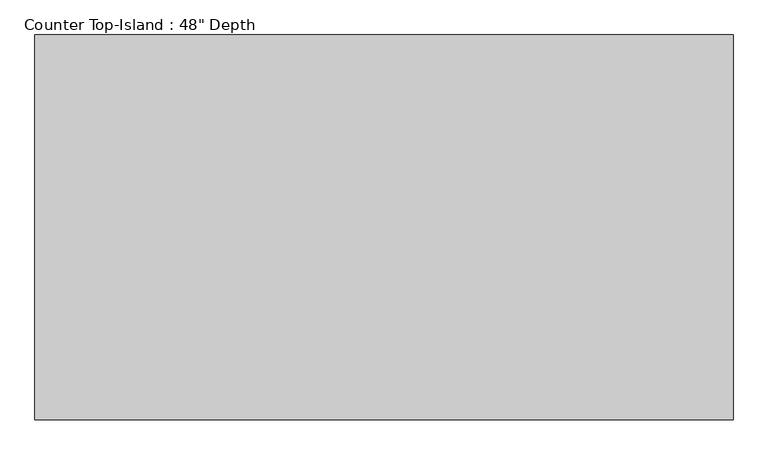
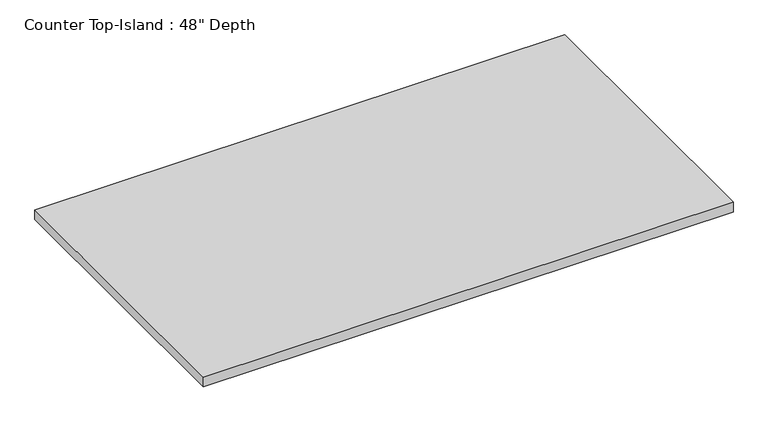
"""IFC4 building model written with IfcOpenShell, lengths in millimetres: furniture geometry."""

from ifc_helpers import new_model, si_unit, frame, origin, place, context, project, spatial, polyline, outline, extrude, source, transform, mapped, element, save


def furniture_8a8e57a0(model_context):
    return source(origin(), model_context, "Body", "SweptSolid", [
        extrude(outline(polyline([(780.7377049, 25.4), (780.7377049, -1066.8), (-1200.4622951, -1066.8), (-1200.4622951, 25.4), (780.7377049, 25.4)])), frame((0.0, 0.0, 876.3), z_axis=(0.0, 0.0, 1.0), x_axis=(1.0, 0.0, 0.0)), (0.0, 0.0, 1.0), 38.1),
    ])


if __name__ == "__main__":
    model = new_model("IFC4")
    model_context = context("Model", 3, world=origin())
    ifc_project = project(units=[si_unit("LENGTHUNIT", "METRE", prefix="MILLI")], contexts=[model_context])
    site = spatial("IfcSite", under=ifc_project)
    building = spatial("IfcBuilding", under=site)
    placement = place(None, origin())
    furniture_shape = furniture_8a8e57a0(model_context)
    element("IfcFurniture", 1, ObjectType="Counter Top-Island : 48\" Depth", at=placement, inside=building, context=model_context, shape_type="MappedRepresentation", body=[
        mapped(furniture_shape, transform((0.0, 0.0, 0.0), x_axis=(1.0, 0.0, 0.0), y_axis=(0.0, 1.0, 0.0), z_axis=(0.0, 0.0, 1.0))),
    ])
    save(model, "model.ifc")
